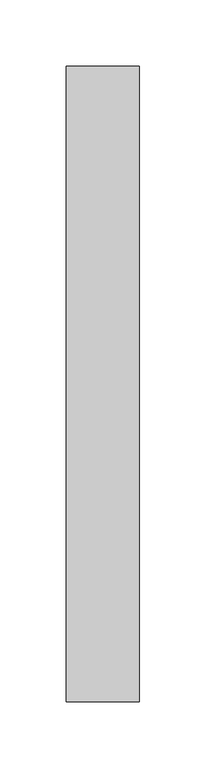
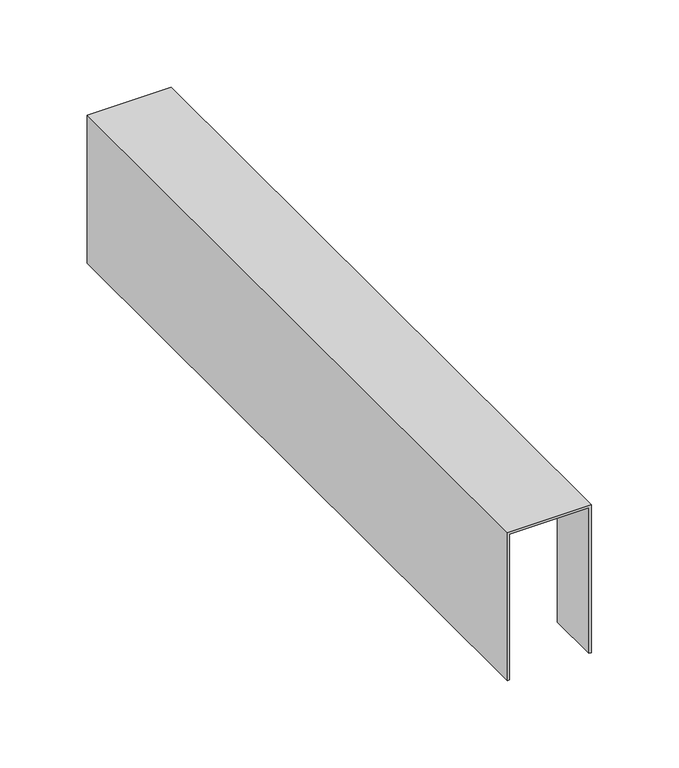
"""IFC4 building model written with IfcOpenShell, lengths in millimetres: furniture geometry."""

from ifc_helpers import new_model, si_unit, frame, origin, place, context, project, spatial, polyline, outline, extrude, faceted_brep, source, transform, mapped, element, save


def furniture_7b291a5d(model_context):
    return source(origin(), model_context, "Body", "SolidModel", [
        faceted_brep([(-27.686, -480.1616, 469.0872105), (-26.162, -480.1616, 469.0872105), (-26.162, -480.1616, 570.6872105), (26.162, -480.1616, 570.6872105), (26.162, -480.1616, 469.0872105), (27.686, -480.1616, 469.0872105), (27.686, -480.1616, 572.2112105), (-27.686, -480.1616, 572.2112105), (-27.686, 0.0, 469.0872105), (-27.686, 0.0, 572.2112105), (27.686, 0.0, 572.2112105), (27.686, 0.0, 570.6872105), (-26.162, 0.0, 570.6872105), (-26.162, 0.0, 469.0872105), (27.686, -443.9919873, 570.6872105), (26.162, -443.9919873, 570.6872105), (26.162, -443.9919873, 469.0872105), (27.686, -443.9919873, 469.0872105)], [[[0, 1, 2, 3, 4, 5, 6, 7]], [[8, 9, 10, 11, 12, 13]], [[1, 0, 8, 13]], [[2, 1, 13, 12]], [[3, 2, 12, 11, 14, 15]], [[4, 3, 15, 16]], [[5, 4, 16, 17]], [[6, 5, 17, 14, 11, 10]], [[7, 6, 10, 9]], [[0, 7, 9, 8]], [[15, 14, 17, 16]]]),
        extrude(outline(polyline([(27.686, -3.3306625), (-27.686, -3.3306625), (-27.686, 0.0), (27.686, 0.0), (27.686, -3.3306625)])), frame((0.0, 0.0, 469.0872105), z_axis=(0.0, 0.0, 1.0), x_axis=(1.0, 0.0, 0.0)), (0.0, 0.0, 1.0), 101.6),
    ])


if __name__ == "__main__":
    model = new_model("IFC4")
    model_context = context("Model", 3, world=origin())
    ifc_project = project(units=[si_unit("LENGTHUNIT", "METRE", prefix="MILLI")], contexts=[model_context])
    site = spatial("IfcSite", under=ifc_project)
    building = spatial("IfcBuilding", under=site)
    placement = place(None, origin())
    furniture_shape = furniture_7b291a5d(model_context)
    element("IfcFurniture", 1, at=placement, inside=building, context=model_context, shape_type="MappedRepresentation", body=[
        mapped(furniture_shape, transform((0.0, 0.0, 0.0), x_axis=(1.0, 0.0, 0.0), y_axis=(0.0, 1.0, 0.0), z_axis=(0.0, 0.0, 1.0))),
    ])
    save(model, "model.ifc")
